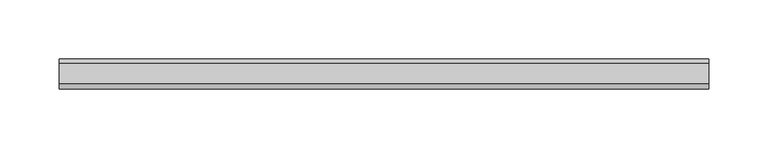
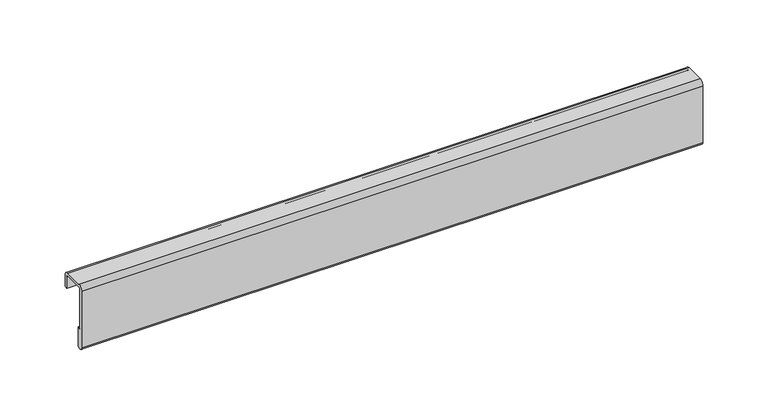
"""IFC4 building model written with IfcOpenShell, lengths in millimetres: furniture geometry."""

from ifc_helpers import new_model, si_unit, point, frame, frame_2d, origin, place, context, project, spatial, polyline, circle_curve, trimmed, segment, composite_curve, outline, extrude, source, transform, mapped, element, save


def furniture_e14c638e(model_context):
    return source(origin(), model_context, "Body", "SweptSolid", [
        extrude(outline(composite_curve([segment(polyline([(2.152082, -37.2494993), (2.152082, 15.7095001)]), True, "CONTINUOUS"), segment(trimmed(circle_curve(frame_2d((6.3430814, 15.7095001)), 4.1909994), [point((2.152082, 15.7095001))], [point((6.3430814, 19.9004995))], False, "CARTESIAN"), True, "CONTINUOUS"), segment(polyline([(6.3430814, 19.9004995), (23.3612474, 19.9004995)]), True, "CONTINUOUS"), segment(trimmed(circle_curve(frame_2d((23.3612474, 15.709499)), 4.1910005), [point((23.3612474, 19.9004995))], [point((27.5522479, 15.709499))], False, "CARTESIAN"), True, "CONTINUOUS"), segment(polyline([(27.5522479, 15.709499), (27.5522479, 4.8192492), (24.8852479, 4.8192492), (24.8852479, 15.709499)]), True, "CONTINUOUS"), segment(trimmed(circle_curve(frame_2d((23.3612482, 15.709499)), 1.5239997), [point((24.8852479, 15.709499))], [point((23.3612482, 17.2334987))], True, "CARTESIAN"), True, "CONTINUOUS"), segment(polyline([(23.3612482, 17.2334987), (6.3432486, 17.2334987)]), True, "CONTINUOUS"), segment(trimmed(circle_curve(frame_2d((6.3432486, 15.7094966)), 1.5240021), [point((6.3432486, 17.2334987))], [point((4.8192465, 15.7094966))], True, "CARTESIAN"), True, "CONTINUOUS"), segment(polyline([(4.8192465, 15.7094966), (4.8192465, -20.9165006), (7.5862482, -20.9165006), (7.5862482, -37.2494993)]), True, "CONTINUOUS"), segment(trimmed(circle_curve(frame_2d((4.8691651, -37.2494993)), 2.7170831), [point((7.5862482, -37.2494993))], [point((2.152082, -37.2494993))], False, "CARTESIAN"), True, "CONTINUOUS")], self_intersect=False)), frame((-398.9437887, 0.0, 0.0), z_axis=(1.0, 0.0, 0.0), x_axis=(0.0, 1.0, 0.0)), (0.0, 0.0, 1.0), 550.4484629),
    ])


if __name__ == "__main__":
    model = new_model("IFC4")
    model_context = context("Model", 3, world=origin())
    ifc_project = project(units=[si_unit("LENGTHUNIT", "METRE", prefix="MILLI")], contexts=[model_context])
    site = spatial("IfcSite", under=ifc_project)
    building = spatial("IfcBuilding", under=site)
    placement = place(None, origin())
    furniture_shape = furniture_e14c638e(model_context)
    element("IfcFurniture", 1, at=placement, inside=building, context=model_context, shape_type="MappedRepresentation", body=[
        mapped(furniture_shape, transform((0.0, 0.0, 0.0), x_axis=(1.0, 0.0, 0.0), y_axis=(0.0, 1.0, 0.0), z_axis=(0.0, 0.0, 1.0))),
    ])
    save(model, "model.ifc")
